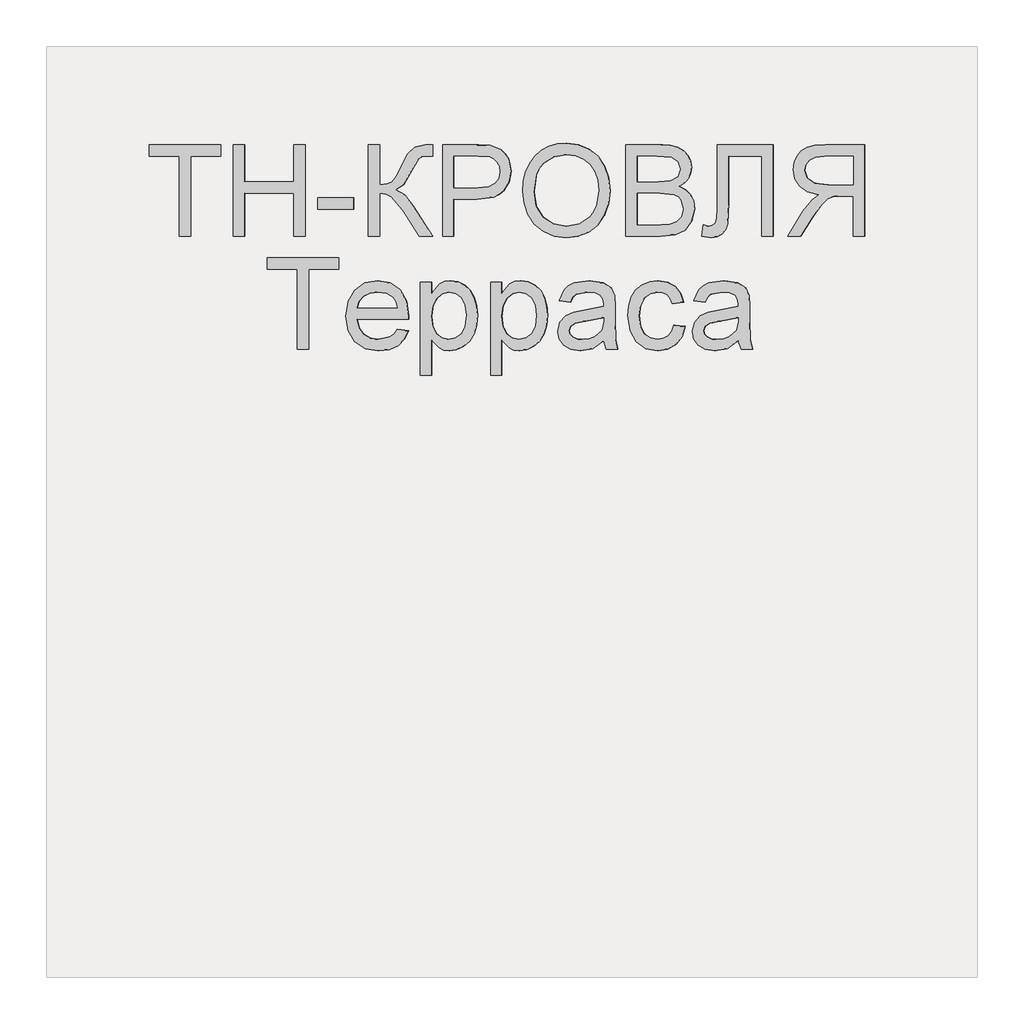
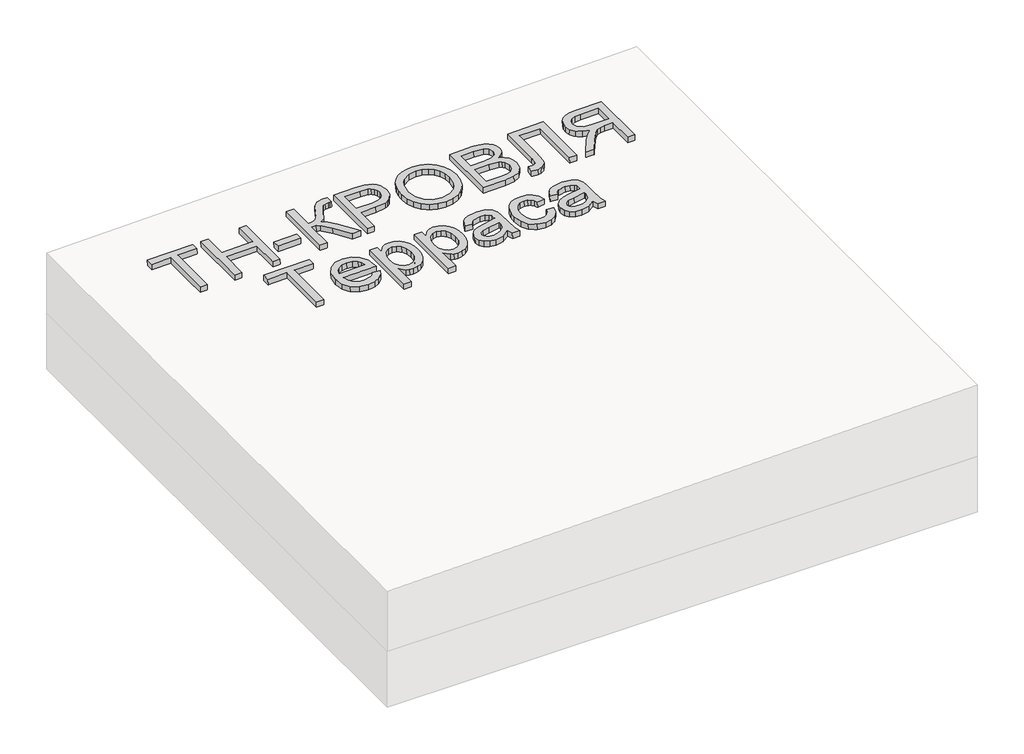
# One storey, part 3 of 3: 1 proxy.
"""IFC4 building model written with IfcOpenShell, lengths in millimetres."""

from ifc_helpers import new_model, si_unit, frame, origin, place, context, project, spatial, polyline, outline, extrude, element, save

model = new_model("IFC4")

# Units and contexts
model_context = context("Model", 3, world=origin())
ifc_project = project(units=[si_unit("LENGTHUNIT", "METRE", prefix="MILLI")], contexts=[model_context])

# Site, building, storey
site = spatial("IfcSite", under=ifc_project)
building = spatial("IfcBuilding", under=site)
storey = spatial("IfcBuildingStorey", under=building, Elevation=0.0)

# Proxy
placement = place(None, origin())
element("IfcBuildingElementProxy", 1, Name="Generic Models", at=placement, inside=storey, context=model_context, shape_type="SweptSolid", body=[
    extrude(outline(polyline([(24.6153846, 0.0), (24.6153846, -172.3076923), (89.2307692, -172.3076923), (89.2307692, -196.9230769), (-64.6153846, -196.9230769), (-64.6153846, -172.3076923), (0.0, -172.3076923), (0.0, 0.0), (24.6153846, 0.0)])), frame((28016.1788452, -4710.2316754, 222.195665), z_axis=(-0.01999600119956399, 0.0, 0.9998000599800078), x_axis=(-0.9998000599800078, 0.0, -0.01999600119956399)), (0.0, 0.0, 1.0), 20.0),
    extrude(outline(polyline([(24.6153846, 0.0), (24.6153846, -196.9230769), (0.0, -196.9230769), (0.0, -116.9230769), (-104.6153846, -116.9230769), (-104.6153846, -196.9230769), (-129.2307692, -196.9230769), (-129.2307692, 0.0), (-104.6153846, 0.0), (-104.6153846, -92.3076923), (0.0, -92.3076923), (0.0, 0.0), (24.6153846, 0.0)])), frame((28133.0785445, -4710.2316754, 224.533659), z_axis=(-0.01999600119956399, 0.0, 0.9998000599800078), x_axis=(-0.9998000599800078, 0.0, -0.01999600119956399)), (0.0, 0.0, 1.0), 20.0),
    extrude(outline(polyline([(76.923077, 0.0), (76.923077, -24.6153846), (0.0, -24.6153846), (0.0, 0.0), (76.923077, 0.0)])), frame((28366.8779432, -4651.7701369, 229.209647), z_axis=(-0.01999600119956399, 0.0, 0.9998000599800078), x_axis=(-0.9998000599800078, 0.0, -0.01999600119956399)), (0.0, 0.0, 1.0), 20.0),
    extrude(outline(polyline([(196.9230769, 0.0), (196.9230769, -24.6153846), (110.7692308, -24.6153846), (112.3978365, -41.2800481), (117.2836538, -52.1394231), (128.7800481, -60.9194711), (150.2403846, -71.3461539), (177.7644231, -84.9278847), (191.3942308, -100.3125), (196.9230769, -122.3076923), (196.6346154, -138.4615385), (172.0192308, -138.4615385), (172.1634615, -133.0288462), (172.3076923, -127.5961539), (170.8293269, -116.3221154), (166.3942308, -108.3653847), (141.0576923, -93.75), (110.1923077, -76.3221154), (100.0, -59.3269231), (88.8701923, -78.329327), (65.6730769, -97.0673077), (0.0, -138.4615385), (0.0, -109.9038462), (55.4807692, -74.9038462), (84.4471154, -50.2644231), (90.3425481, -38.8882212), (92.3076923, -24.6153846), (0.0, -24.6153846), (0.0, 0.0), (196.9230769, 0.0)])), frame((28397.6410219, -4710.2316754, 229.8249085), z_axis=(-0.019996001199563986, 0.0, 0.9998000599800078), x_axis=(0.0, 1.0, 0.0)), (0.0, 0.0, 1.0), 20.0),
    extrude(outline(polyline([(24.6153846, 0.0), (24.6153846, -196.9230769), (-48.3653847, -196.9230769), (-77.7884615, -195.0480769), (-101.7067308, -185.8413461), (-110.4026443, -177.6802885), (-117.2115385, -166.8028846), (-123.0769231, -139.9519231), (-119.1165866, -116.7427885), (-107.235577, -97.4038461), (-97.7208534, -89.7896635), (-85.0180289, -84.3509615), (-50.0480769, -80.0), (0.0, -80.0), (0.0, 0.0), (24.6153846, 0.0)]), holes=[polyline([(0.0, -104.6153846), (-51.4903847, -104.6153846), (-73.3173078, -106.875), (-87.7403846, -113.6538461), (-95.78125, -124.53125), (-98.4615385, -139.0865385), (-96.8810097, -150.1442308), (-92.1394232, -159.4711538), (-84.8257212, -166.4903846), (-75.5288462, -170.625), (-50.9134615, -172.3076923), (0.0, -172.3076923), (0.0, -104.6153846)])]), frame((28582.2194945, -4710.2316754, 233.516478), z_axis=(-0.01999600119956399, 0.0, 0.9998000599800078), x_axis=(-0.9998000599800078, 0.0, -0.01999600119956399)), (0.0, 0.0, 1.0), 20.0),
    extrude(outline(polyline([(25.3428445, 0.0), (48.1160484, -4.1938573), (67.8912361, -11.3545773), (84.6684074, -21.48216), (98.4475626, -34.5766053), (108.9049086, -49.9093782), (115.7166524, -66.7519434), (118.8827941, -85.1043011), (118.4033337, -104.9664512), (112.3116986, -130.2760814), (100.0658902, -152.2136344), (82.4868293, -169.6009171), (60.3954366, -181.2597367), (34.812491, -187.0380147), (6.7587717, -186.7836729), (-21.0136463, -180.6528553), (-44.9882084, -168.8870737), (-63.9421568, -152.1247694), (-76.6527338, -131.0043835), (-83.1347827, -107.1750808), (-83.4031474, -82.2860261), (-77.1659621, -56.5935493), (-64.600884, -34.5586152), (-46.7404789, -17.2511253), (-24.6173127, -5.740981), (0.0, 0.0), (25.3428445, 0.0)]), holes=[polyline([(22.3721769, -24.4366544), (-8.7890431, -25.9094148), (-33.7562618, -37.9787802), (-50.9832576, -58.3865327), (-58.9238091, -84.8744541), (-57.0179297, -112.8610054), (-44.5775814, -136.6179286), (-34.5460353, -146.3414541), (-22.1589798, -153.8699217), (9.6816594, -162.341683), (31.570013, -162.6815636), (50.9840871, -158.5364568), (67.4340475, -150.0149318), (80.43006, -137.2255581), (89.4380632, -121.0520254), (93.9239955, -102.3780231), (92.2935561, -75.5530127), (81.0850249, -51.6494365), (71.4163804, -41.5325654), (58.4080243, -33.6248113), (22.3721769, -24.4366544)])]), frame((28732.6942103, -4639.5525889, 236.5259723), z_axis=(-0.019996001199563986, 0.0, 0.9998000599800078), x_axis=(-0.11095588221402986, 0.9938228553011785, -0.002219117644276577)), (0.0, 0.0, 1.0), 20.0),
    extrude(outline(polyline([(74.5673077, 0.0), (74.5673077, -196.9230769), (-0.576923, -196.9230769), (-21.2439903, -195.4747596), (-37.3798076, -191.1298077), (-49.7475961, -183.7800481), (-59.1105769, -173.3173077), (-65.0060096, -161.0096154), (-66.9711538, -148.125), (-65.3185096, -136.2680288), (-60.3605769, -125.1201923), (-52.061298, -115.3665865), (-40.3846153, -107.6923077), (-54.3329326, -100.4086538), (-64.639423, -89.3269231), (-71.0036058, -75.1802885), (-73.125, -58.7019231), (-67.3317307, -32.2355769), (-52.9807692, -13.3894231), (-31.5625, -3.3894231), (0.0, 0.0), (74.5673077, 0.0)]), holes=[polyline([(49.9519231, -116.9230769), (5.0, -116.9230769), (-21.2499999, -119.0384615), (-37.0432692, -128.1490385), (-42.3557692, -144.1826923), (-37.4038461, -160.2403846), (-23.2211538, -169.7355769), (8.4134616, -172.3076923), (49.9519231, -172.3076923), (49.9519231, -116.9230769)]), polyline([(49.9519231, -24.6153846), (-0.5288461, -24.6153846), (-18.7980769, -25.5769231), (-34.2548076, -30.9375), (-44.4951923, -41.875), (-48.5096153, -58.4615385), (-43.7980769, -77.5961538), (-37.6262019, -84.5132211), (-28.5336538, -89.0144231), (1.875, -92.3076923), (49.9519231, -92.3076923), (49.9519231, -24.6153846)])]), frame((29025.9288385, -4710.2316754, 242.3906649), z_axis=(-0.019996001199563986, 0.0, 0.9998000599800078), x_axis=(-0.9998000599800078, 0.0, -0.019996001199563986)), (0.0, 0.0, 1.0), 20.0),
    extrude(outline(polyline([(137.6442308, 0.0), (137.6442308, -120.0), (-59.2788461, -120.0), (-59.2788461, -95.3846154), (113.0288462, -95.3846154), (113.0288462, -24.6153846), (12.548077, -24.6153846), (-32.2836538, -21.7548077), (-44.951923, -17.3257211), (-54.4471153, -9.7596153), (-60.3786057, 0.6009616), (-62.3557692, 13.4134616), (-59.2788461, 33.8461539), (-34.6634615, 30.7692308), (-37.7403846, 18.9903846), (-36.0877403, 10.6670674), (-31.1298076, 4.7355769), (-20.0420673, 1.1838942), (0.0, 0.0), (137.6442308, 0.0)])), frame((29148.2601439, -4650.9528293, 244.837291), z_axis=(-0.019996001199563986, 0.0, 0.9998000599800078), x_axis=(0.0, 1.0, 0.0)), (0.0, 0.0, 1.0), 20.0),
    extrude(outline(polyline([(24.6153846, -110.7692308), (0.0, -110.7692308), (0.0, -24.6153847), (-29.7115385, -24.6153847), (-43.9903846, -25.4807693), (-55.6971154, -30.1682693), (-68.7019231, -42.9326923), (-87.2115385, -69.9519231), (-112.8365384, -110.7692308), (-141.4423077, -110.7692308), (-108.6057692, -57.4038462), (-88.6538462, -32.0673077), (-74.6634615, -21.5384616), (-98.9122596, -15.0120193), (-115.8894231, -3.2211539), (-125.8954327, 12.8605769), (-129.2307692, 32.2596153), (-127.2175481, 47.8545673), (-121.1778846, 62.0432692), (-111.766827, 73.4855769), (-99.6394231, 80.8413461), (-83.046875, 84.8257211), (-60.2403847, 86.1538461), (24.6153846, 86.1538461), (24.6153846, -110.7692308)]), holes=[polyline([(0.0, 0.0), (0.0, 61.5384615), (-61.2980769, 61.5384615), (-80.7752404, 59.4110577), (-94.2067308, 53.0288461), (-102.0132211, 43.3533653), (-104.6153846, 31.3461538), (-99.1586539, 14.639423), (-83.1971154, 3.4855769), (-55.0961538, 0.0), (0.0, 0.0)])]), frame((29440.5093922, -4599.4624446, 250.6822759), z_axis=(-0.01999600119956399, 0.0, 0.9998000599800078), x_axis=(0.9998000599800078, 0.0, 0.01999600119956399)), (0.0, 0.0, 1.0), 20.0),
    extrude(outline(polyline([(24.6153846, 0.0), (24.6153846, -172.3076923), (89.2307692, -172.3076923), (89.2307692, -196.9230769), (-64.6153847, -196.9230769), (-64.6153847, -172.3076923), (0.0, -172.3076923), (0.0, 0.0), (24.6153846, 0.0)])), frame((28269.974245, -4953.3085985, 227.271573), z_axis=(-0.01999600119956399, 0.0, 0.9998000599800078), x_axis=(-0.9998000599800078, 0.0, -0.01999600119956399)), (0.0, 0.0, 1.0), 20.0),
    extrude(outline(polyline([(11.9224287, 1e-07), (23.3787354, -21.4639267), (3.5155617, -24.8948099), (-15.6006829, -21.4439824), (-33.3578567, -11.0602867), (-49.1438179, 6.3074343), (-61.8818963, 32.6831316), (-62.8170421, 59.2687891), (-51.916867, 84.377867), (-29.1489828, 106.323825), (-0.0288865, 121.1343702), (27.9674232, 123.4461986), (52.9457848, 114.2880645), (73.0120364, 94.6887224), (84.3959089, 69.9827894), (84.4955819, 43.8580616), (72.9280669, 18.474447), (49.3103756, -4.0081467), (43.8159314, -7.7297065), (-20.1983856, 82.4925627), (-32.7600613, 68.3554764), (-38.0799991, 52.4447665), (-36.6070543, 35.9746352), (-28.7900825, 20.1592847), (-10.6288614, 3.4526149), (0.0, 0.0), (11.9224287, 1e-07)]), holes=[polyline([(-0.1228525, 96.7365133), (49.7309746, 26.4721472), (58.4107366, 36.71281), (62.2212823, 47.4187828), (60.9747524, 64.1306143), (52.8808629, 80.5231919), (41.4022308, 92.7236592), (27.8314967, 99.9175417), (13.5345169, 101.4675797), (-0.1228525, 96.7365133)])]), frame((28453.5192705, -4919.9552331, 230.9424735), z_axis=(-0.019996001199563986, 0.0, 0.9998000599800079), x_axis=(0.5785447954004908, 0.8155685342648348, 0.01157089590798889)), (0.0, 0.0, 1.0), 20.0),
    extrude(outline(polyline([(24.6153846, 0.0), (24.6153846, -200.0), (0.0, -200.0), (0.0, -175.8653846), (-17.0192308, -196.2740385), (-27.5000001, -201.376202), (-40.0, -203.0769231), (-56.6466346, -200.6971154), (-71.2019231, -193.5576923), (-83.0528847, -182.0913462), (-91.5865385, -166.7307693), (-96.7427886, -148.59375), (-98.4615385, -128.798077), (-96.5204327, -107.7463943), (-90.6971154, -88.9182693), (-81.1778847, -73.2692308), (-68.1490385, -61.7548077), (-52.9747597, -54.6694712), (-37.0192308, -52.3076923), (-25.7031251, -53.8882212), (-15.6009616, -58.6298077), (0.0, -74.6153846), (0.0, 0.0), (24.6153846, 0.0)]), holes=[polyline([(0.0, -126.5384616), (-2.6622597, -104.4711539), (-10.6490385, -89.0384616), (-22.4338942, -79.9519231), (-36.4903847, -76.923077), (-50.7752404, -80.0600962), (-62.8605769, -89.4711539), (-71.0997597, -105.46875), (-73.8461539, -128.3653846), (-71.1658654, -150.3125), (-63.125, -165.9615385), (-51.3581732, -175.3365385), (-37.5000001, -178.4615385), (-23.5877404, -175.1382212), (-11.3701924, -165.1682693), (-2.8425481, -148.8641827), (0.0, -126.5384616)])]), frame((28534.5367224, -5008.6932139, 232.5628225), z_axis=(-0.019996001199563983, 0.0, 0.9998000599800078), x_axis=(-0.9998000599800078, 0.0, -0.019996001199563983)), (0.0, 0.0, 1.0), 20.0),
    extrude(outline(polyline([(24.6153846, 0.0), (24.6153846, -200.0), (0.0, -200.0), (0.0, -175.8653846), (-17.0192308, -196.2740385), (-27.5, -201.376202), (-40.0, -203.0769231), (-56.6466346, -200.6971154), (-71.2019231, -193.5576923), (-83.0528846, -182.0913462), (-91.5865385, -166.7307693), (-96.7427885, -148.59375), (-98.4615385, -128.798077), (-96.5204327, -107.7463943), (-90.6971154, -88.9182693), (-81.1778846, -73.2692308), (-68.1490385, -61.7548077), (-52.9747597, -54.6694712), (-37.0192308, -52.3076923), (-25.703125, -53.8882212), (-15.6009616, -58.6298077), (0.0, -74.6153846), (0.0, 0.0), (24.6153846, 0.0)]), holes=[polyline([(0.0, -126.5384616), (-2.6622596, -104.4711539), (-10.6490385, -89.0384616), (-22.4338942, -79.9519231), (-36.4903846, -76.923077), (-50.7752404, -80.0600962), (-62.8605769, -89.4711539), (-71.0997596, -105.46875), (-73.8461539, -128.3653846), (-71.1658654, -150.3125), (-63.125, -165.9615385), (-51.3581731, -175.3365385), (-37.5, -178.4615385), (-23.5877404, -175.1382212), (-11.3701924, -165.1682693), (-2.8425481, -148.8641827), (0.0, -126.5384616)])]), frame((28685.2758084, -5008.6932139, 235.5776043), z_axis=(-0.01999600119956399, 0.0, 0.9998000599800078), x_axis=(-0.9998000599800078, 0.0, -0.01999600119956399)), (0.0, 0.0, 1.0), 20.0),
    extrude(outline(polyline([(19.4601702, -1e-07), (11.1819963, 27.9207832), (14.9143961, 54.4732733), (24.1902839, 73.0649574), (37.3011934, 84.6897486), (52.8826325, 89.3590492), (69.5701086, 87.0842617), (86.5521477, 76.4571844), (96.0465823, 60.2429097), (98.2586563, 41.3376584), (95.0355657, 19.9618777), (89.5623928, -23.2153749), (94.7162973, -25.0853757), (105.6740454, -26.9515756), (114.1004512, -24.4012291), (122.7587066, -15.3020791), (129.4557417, -0.8361792), (132.8384667, 24.2872046), (128.8153045, 32.9891693), (120.6530554, 40.8663574), (131.3561489, 63.2455532), (150.7935143, 45.5413592), (155.5977438, 34.3745662), (157.376525, 20.7448455), (151.8045309, -11.6304924), (138.2204199, -38.5478606), (122.4698447, -51.060142), (104.2335367, -52.9377443), (83.4202766, -47.2669291), (54.3668506, -37.5824538), (13.4016719, -25.2450099), (-7.7840681, -23.3522042), (0.0, 0.0), (19.4601702, -1e-07)]), holes=[polyline([(66.1645787, -15.5681362), (71.5617354, 24.4924486), (74.4731593, 45.8454244), (71.3488897, 56.9970141), (63.4279923, 63.1847402), (55.9042801, 63.7605636), (48.4755881, 60.4405521), (41.8184615, 53.1258846), (36.6094453, 41.7177398), (33.8253486, 28.7094523), (34.3213549, 16.2294779), (42.7667647, -3.5119526), (59.5967713, -13.2268344), (66.1645787, -15.5681362)])]), frame((28909.8462834, -4953.3085985, 240.0690138), z_axis=(-0.01999600119956399, 0.0, 0.9998000599800078), x_axis=(-0.3161645394310612, 0.9486832980504862, -0.0063232907886097795)), (0.0, 0.0, 1.0), 20.0),
    extrude(outline(polyline([(14.2739448, 1e-07), (18.5774163, -24.4308156), (-4.3658123, -24.3147239), (-23.9730045, -16.8581343), (-39.1287659, -2.9877766), (-48.7177025, 16.3696196), (-51.7999354, 42.8176799), (-43.9550055, 66.6568587), (-25.3354265, 86.2178676), (3.9062883, 99.8314183), (25.3948449, 104.4802097), (45.1992054, 104.6740484), (62.6451939, 100.1110146), (77.0586344, 90.4891883), (88.0614871, 77.0566736), (95.2757118, 61.0615745), (98.5250521, 40.2990925), (94.8035116, 21.7539991), (84.4149332, 6.0732076), (67.6631596, -6.0963687), (57.4783634, 16.5234133), (66.4279038, 23.9512855), (71.7390475, 32.8620536), (73.5020103, 42.8810605), (71.8070078, 53.6336492), (64.2193556, 67.9417387), (51.7849492, 77.3240769), (34.3582431, 80.5788394), (11.793692, 76.5042013), (-9.4649736, 67.1472583), (-22.146962, 54.8097826), (-27.1652793, 40.2921827), (-25.4329315, 24.394867), (-19.8783046, 12.7682798), (-11.392372, 4.4463754), (0.0, 0.0), (14.2739448, 1e-07)])), frame((29050.2328724, -4914.6427331, 242.8767455), z_axis=(-0.019996001199563983, 0.0, 0.9998000599800078), x_axis=(0.2942340972928861, 0.9557152643484547, 0.005884681945847084)), (0.0, 0.0, 1.0), 20.0),
    extrude(outline(polyline([(19.4601702, -1e-07), (11.1819963, 27.9207832), (14.9143961, 54.4732733), (24.1902839, 73.0649574), (37.3011934, 84.6897486), (52.8826325, 89.3590492), (69.5701086, 87.0842617), (86.5521477, 76.4571843), (96.0465823, 60.2429097), (98.2586563, 41.3376584), (95.0355657, 19.9618776), (89.5623927, -23.215375), (94.7162973, -25.0853757), (105.6740454, -26.9515756), (114.1004512, -24.4012291), (122.7587065, -15.3020792), (129.4557417, -0.8361792), (132.8384667, 24.2872046), (128.8153045, 32.9891693), (120.6530554, 40.8663574), (131.3561489, 63.2455532), (150.7935143, 45.5413592), (155.5977438, 34.3745662), (157.376525, 20.7448455), (151.8045309, -11.6304924), (138.2204199, -38.5478606), (122.4698447, -51.060142), (104.2335367, -52.9377443), (83.4202766, -47.2669291), (54.3668506, -37.5824538), (13.4016719, -25.2450099), (-7.7840681, -23.3522043), (0.0, 0.0), (19.4601702, -1e-07)]), holes=[polyline([(66.1645787, -15.5681362), (71.5617353, 24.4924485), (74.4731592, 45.8454243), (71.3488897, 56.9970141), (63.4279923, 63.1847401), (55.90428, 63.7605635), (48.4755881, 60.4405521), (41.8184615, 53.1258846), (36.6094453, 41.7177398), (33.8253486, 28.7094523), (34.3213549, 16.2294778), (42.7667647, -3.5119526), (59.5967713, -13.2268345), (66.1645787, -15.5681362)])]), frame((29199.0192238, -4953.3085985, 245.8524726), z_axis=(-0.019996001199563986, 0.0, 0.9998000599800078), x_axis=(-0.316164539430861, 0.948683298050553, -0.006323290788605777)), (0.0, 0.0, 1.0), 20.0),
])

save(model, "model.ifc")
